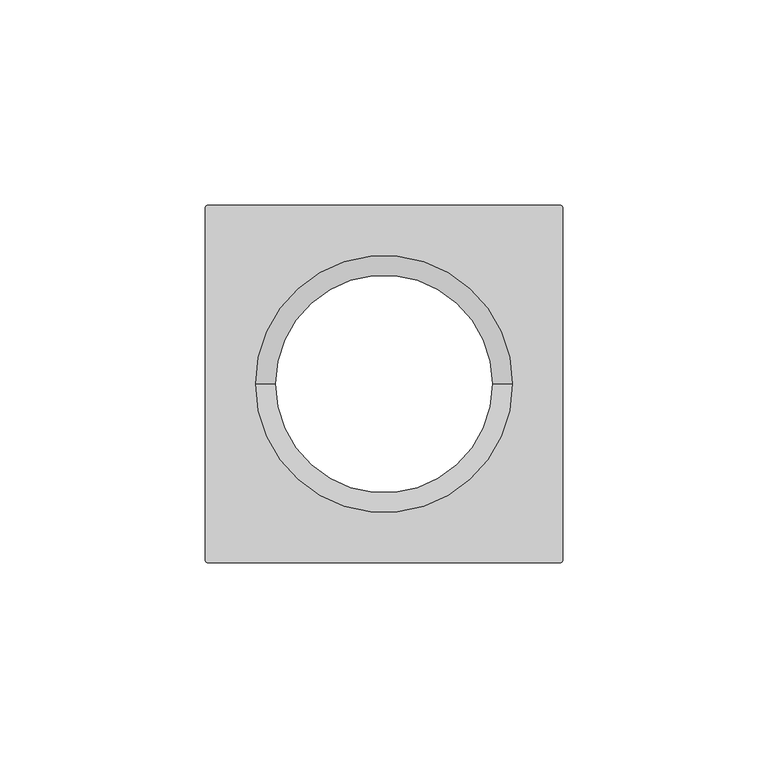
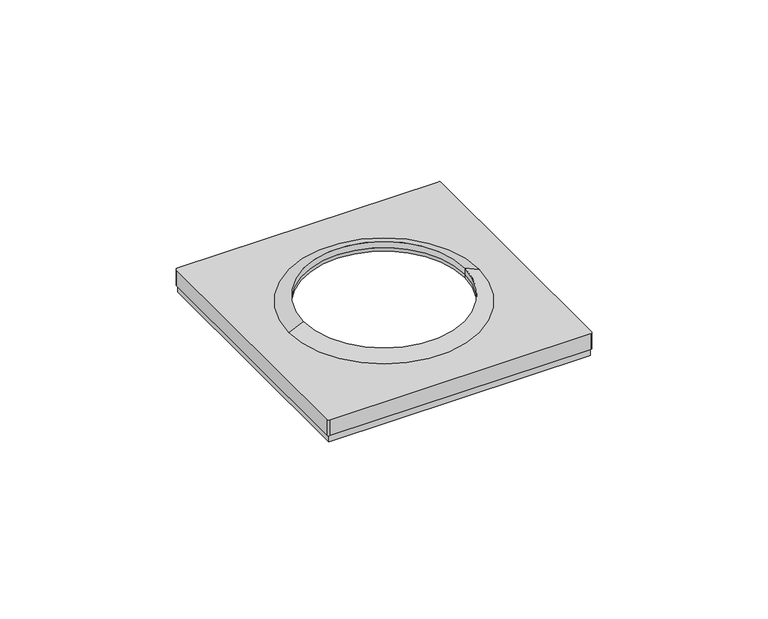
"""IFC4 building model written with IfcOpenShell, lengths in millimetres: proxy geometry."""

from ifc_helpers import new_model, si_unit, frame, origin, origin_with_axes, place, context, project, spatial, polyline, circle_curve, outline, extrude, source, transform, mapped, element, save
from ifc_brep_helpers import plane_surface, cylinder_surface, revolved_surface, advanced_brep


def electrical_fixtures_72fa6898(model_context):
    return source(origin(), model_context, "Body", "SolidModel", [
        advanced_brep(
        [(31.2841563, 0.0, 8.0076008), (-31.2841563, 0.0, 8.0076008), (-26.5, 0.0, 10.1), (26.5, 0.0, 10.1), (-26.5, 0.0, 8.0076008), (26.5, 0.0, 8.0076008)],
        [
            (0, 1, circle_curve(frame((0.0, 0.0, 8.0076008), z_axis=(0.0, 0.0, 1.0), x_axis=(-1.0, 0.0, 0.0)), 31.2841563)),
            (1, 2),
            (2, 3, circle_curve(frame((0.0, 0.0, 10.1), z_axis=(0.0, 0.0, -1.0), x_axis=(-1.0, 0.0, 0.0)), 26.5)),
            (3, 0),
            (1, 0, circle_curve(frame((0.0, 0.0, 8.0076008), z_axis=(0.0, 0.0, 1.0), x_axis=(-1.0, 0.0, 0.0)), 31.2841563)),
            (3, 2, circle_curve(frame((0.0, 0.0, 10.1), z_axis=(0.0, 0.0, -1.0), x_axis=(-1.0, 0.0, 0.0)), 26.5)),
            (2, 4),
            (4, 5, circle_curve(frame((0.0, 0.0, 8.0076008), z_axis=(0.0, 0.0, -1.0), x_axis=(-1.0, 0.0, 0.0)), 26.5)),
            (5, 3),
            (5, 4, circle_curve(frame((0.0, 0.0, 8.0076008), z_axis=(0.0, 0.0, -1.0), x_axis=(-1.0, 0.0, 0.0)), 26.5)),
            (0, 5),
            (4, 1),
        ],
        [
            revolved_surface(polyline([(-26.5, 0.0, 10.1), (-31.2841563, 0.0, 8.0076008)]), (0.0, 0.0, 2609.0581012), (0.0, 0.0, -1.0)),
            revolved_surface(polyline([(-26.5, 0.0, 8.007600800000091), (-26.5, 0.0, 10.099999999999909)]), (0.0, 0.0, 2609.0581012), (0.0, 0.0, -1.0)),
            plane_surface(frame((0.0, 0.0, 8.0076008), z_axis=(0.0, 0.0, -1.0), x_axis=(-1.0, 0.0, 0.0))),
        ],
        [
            (0, [[1, 2, 3, 4]]),
            (0, [[-2, 5, -4, 6]]),
            (1, [[-3, 7, 8, 9]]),
            (1, [[-6, -9, 10, -7]]),
            (2, [[-1, 11, -8, 12]]),
            (2, [[-5, -12, -10, -11]]),
        ],
    ),
        advanced_brep(
        [(-43.5, -42.9369707, 8.0076008), (-42.9369707, -43.5, 8.0076008), (42.9369707, -43.5, 8.0076008), (43.5, -42.9369707, 8.0076008), (43.5, 42.9369707, 8.0076008), (42.9369707, 43.5, 8.0076008), (-42.9369707, 43.5, 8.0076008), (-43.5, 42.9369707, 8.0076008), (-26.5, 0.0, 8.0076008), (26.5, 0.0, 8.0076008), (-43.5, -42.9369707, 2.5), (-43.5, 42.9369707, 2.5), (-42.9369707, 43.5, 2.5), (42.9369707, 43.5, 2.5), (43.5, 42.9369707, 2.5), (43.5, -42.9369707, 2.5), (42.9369707, -43.5, 2.5), (-42.9369707, -43.5, 2.5), (42.5, 42.5, 2.5), (-42.5, 42.5, 2.5), (-42.5, -42.5, 2.5), (42.5, -42.5, 2.5), (-26.5, 0.0, 6.7956384), (26.5, 0.0, 6.7956384), (42.5, 42.5, 6.7956384), (42.5, -42.5, 6.7956384), (-42.5, -42.5, 6.7956384), (-42.5, 42.5, 6.7956384)],
        [
            (0, 1, circle_curve(frame((-42.9369707, -42.9369707, 8.0076008), z_axis=(0.0, 0.0, 1.0), x_axis=(1.0, 0.0, 0.0)), 0.5630293)),
            (1, 2),
            (2, 3, circle_curve(frame((42.9369707, -42.9369707, 8.0076008), z_axis=(0.0, 0.0, 1.0), x_axis=(-1.0, 0.0, 0.0)), 0.5630293)),
            (3, 4),
            (4, 5, circle_curve(frame((42.9369707, 42.9369707, 8.0076008), z_axis=(0.0, 0.0, 1.0), x_axis=(-1.0, 0.0, 0.0)), 0.5630293)),
            (5, 6),
            (6, 7, circle_curve(frame((-42.9369707, 42.9369707, 8.0076008), z_axis=(0.0, 0.0, 1.0), x_axis=(1.0, 0.0, 0.0)), 0.5630293)),
            (7, 0),
            (8, 9, circle_curve(frame((0.0, 0.0, 8.0076008), z_axis=(0.0, 0.0, -1.0), x_axis=(-1.0, 0.0, 0.0)), 26.5)),
            (9, 8, circle_curve(frame((0.0, 0.0, 8.0076008), z_axis=(0.0, 0.0, -1.0), x_axis=(-1.0, 0.0, 0.0)), 26.5)),
            (10, 11),
            (11, 12, circle_curve(frame((-42.9369707, 42.9369707, 2.5), z_axis=(0.0, 0.0, -1.0), x_axis=(1.0, 0.0, 0.0)), 0.5630293)),
            (12, 13),
            (13, 14, circle_curve(frame((42.9369707, 42.9369707, 2.5), z_axis=(0.0, 0.0, -1.0), x_axis=(-1.0, 0.0, 0.0)), 0.5630293)),
            (14, 15),
            (15, 16, circle_curve(frame((42.9369707, -42.9369707, 2.5), z_axis=(0.0, 0.0, -1.0), x_axis=(-1.0, 0.0, 0.0)), 0.5630293)),
            (16, 17),
            (17, 10, circle_curve(frame((-42.9369707, -42.9369707, 2.5), z_axis=(0.0, 0.0, -1.0), x_axis=(1.0, 0.0, 0.0)), 0.5630293)),
            (18, 19),
            (19, 20),
            (20, 21),
            (21, 18),
            (0, 10),
            (17, 1),
            (16, 2),
            (15, 3),
            (14, 4),
            (13, 5),
            (12, 6),
            (11, 7),
            (8, 22),
            (22, 23, circle_curve(frame((0.0, 0.0, 6.7956384), z_axis=(0.0, 0.0, -1.0), x_axis=(-1.0, 0.0, 0.0)), 26.5)),
            (23, 9),
            (23, 22, circle_curve(frame((0.0, 0.0, 6.7956384), z_axis=(0.0, 0.0, -1.0), x_axis=(-1.0, 0.0, 0.0)), 26.5)),
            (24, 25),
            (25, 26),
            (26, 27),
            (27, 24),
            (27, 19),
            (18, 24),
            (26, 20),
            (25, 21),
        ],
        [
            plane_surface(frame((-42.3739414, -42.9369707, 8.0076008), z_axis=(0.0, 0.0, 1.0), x_axis=(0.0, 1.0, 0.0))),
            plane_surface(frame((-42.3739414, -42.9369707, 2.5), z_axis=(0.0, 0.0, -1.0), x_axis=(0.0, -1.0, 0.0))),
            cylinder_surface(frame((-42.9369707, -42.9369707, 2.5), z_axis=(0.0, 0.0, 1.0), x_axis=(1.0, 0.0, 0.0)), 0.5630293),
            plane_surface(frame((-42.9369707, -43.5, 8.0076008), z_axis=(0.0, -1.0, 0.0), x_axis=(0.0, 0.0, -1.0))),
            cylinder_surface(frame((42.9369707, -42.9369707, 2.5), z_axis=(0.0, 0.0, 1.0), x_axis=(-1.0, 0.0, 0.0)), 0.5630293),
            plane_surface(frame((43.5, -42.9369707, 8.0076008), z_axis=(1.0, 0.0, 0.0), x_axis=(0.0, 0.0, -1.0))),
            cylinder_surface(frame((42.9369707, 42.9369707, 2.5), z_axis=(0.0, 0.0, 1.0), x_axis=(-1.0, 0.0, 0.0)), 0.5630293),
            plane_surface(frame((42.9369707, 43.5, 8.0076008), z_axis=(0.0, 1.0, 0.0), x_axis=(0.0, 0.0, -1.0))),
            cylinder_surface(frame((-42.9369707, 42.9369707, 2.5), z_axis=(0.0, 0.0, 1.0), x_axis=(1.0, 0.0, 0.0)), 0.5630293),
            plane_surface(frame((-43.5, 42.9369707, 8.0076008), z_axis=(-1.0, 0.0, 0.0), x_axis=(0.0, 0.0, -1.0))),
            revolved_surface(polyline([(-26.5, 0.0, 8.0076008), (-26.5, 0.0, 6.7956384)]), (0.0, 0.0, 0.0), (0.0, 0.0, 1.0)),
            plane_surface(frame((-42.5, 42.5, 6.7956384), z_axis=(0.0, 0.0, -1.0), x_axis=(-1.0, 0.0, 0.0))),
            plane_surface(frame((42.5, 42.5, 6.7956384), z_axis=(0.0, -1.0, 0.0), x_axis=(0.0, 0.0, -1.0))),
            plane_surface(frame((-42.5, 42.5, 6.7956384), z_axis=(1.0, 0.0, 0.0), x_axis=(0.0, 0.0, -1.0))),
            plane_surface(frame((-42.5, -42.5, 6.7956384), z_axis=(0.0, 1.0, 0.0), x_axis=(0.0, 0.0, -1.0))),
            plane_surface(frame((42.5, -42.5, 6.7956384), z_axis=(-1.0, 0.0, 0.0), x_axis=(0.0, 0.0, -1.0))),
        ],
        [
            (0, [[1, 2, 3, 4, 5, 6, 7, 8], [9, 10]]),
            (1, [[11, 12, 13, 14, 15, 16, 17, 18], [19, 20, 21, 22]]),
            (2, [[-1, 23, -18, 24]]),
            (3, [[-2, -24, -17, 25]]),
            (4, [[-3, -25, -16, 26]]),
            (5, [[-4, -26, -15, 27]]),
            (6, [[-5, -27, -14, 28]]),
            (7, [[-6, -28, -13, 29]]),
            (8, [[-7, -29, -12, 30]]),
            (9, [[-8, -30, -11, -23]]),
            (10, [[-9, 31, 32, 33]]),
            (10, [[-10, -33, 34, -31]]),
            (11, [[35, 36, 37, 38], [-32, -34]]),
            (12, [[-38, 39, -19, 40]]),
            (13, [[-37, 41, -20, -39]]),
            (14, [[-36, 42, -21, -41]]),
            (15, [[-35, -40, -22, -42]]),
        ],
    ),
        extrude(outline(polyline([(-43.0, -43.0), (-43.0, 43.0), (43.0, 43.0), (43.0, -43.0), (-43.0, -43.0)]), holes=[polyline([(-42.5, -42.5), (42.5, -42.5), (42.5, 42.5), (-42.5, 42.5), (-42.5, -42.5)])]), origin_with_axes(), (0.0, 0.0, 1.0), 2.5),
    ])


if __name__ == "__main__":
    model = new_model("IFC4")
    model_context = context("Model", 3, world=origin())
    ifc_project = project(units=[si_unit("LENGTHUNIT", "METRE", prefix="MILLI")], contexts=[model_context])
    site = spatial("IfcSite", under=ifc_project)
    building = spatial("IfcBuilding", under=site)
    placement = place(None, origin())
    electrical_fixtures_shape = electrical_fixtures_72fa6898(model_context)
    element("IfcBuildingElementProxy", 1, Name="Electrical Fixtures", at=placement, inside=building, context=model_context, shape_type="MappedRepresentation", body=[
        mapped(electrical_fixtures_shape, transform((0.0, 0.0, 0.0), x_axis=(1.0, 0.0, 0.0), y_axis=(0.0, 1.0, 0.0), z_axis=(0.0, 0.0, 1.0))),
    ])
    save(model, "model.ifc")
